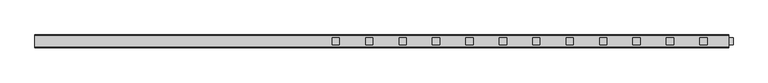
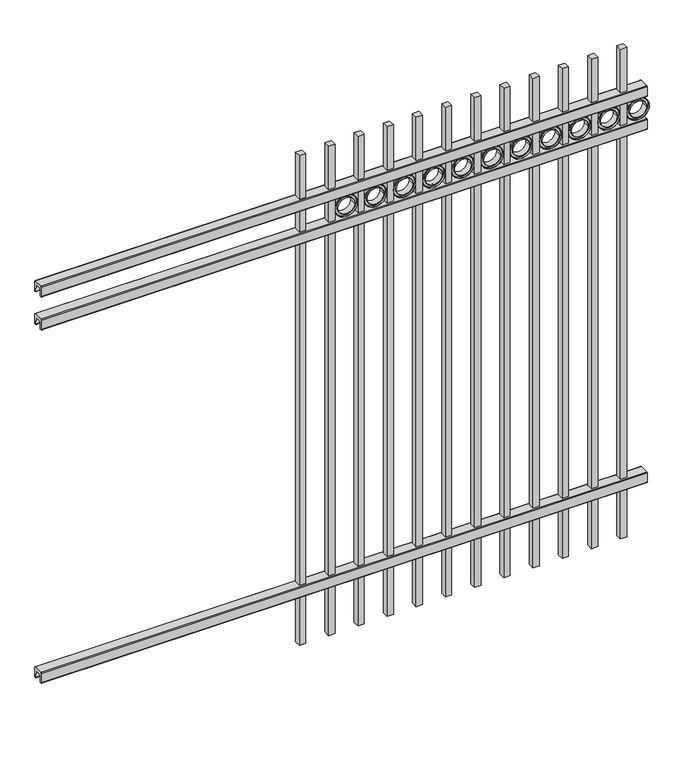
"""IFC4 building model written with IfcOpenShell, lengths in millimetres: railing geometry."""

import ifcopenshell
import ifcopenshell.guid

model = None  # the IFC model being written
_history = None  # IfcOwnerHistory: only IFC2X3 demands one
_inside = {}  # id of a spatial element -> (the spatial element, [elements in it])
_under = {}  # id of a project, library or spatial element -> (it, [spatial elements below it])
_declared = {}  # id of a project -> (the project, [libraries it declares])
_typed = {}  # id of a type object -> (the type object, [elements of that type])
_made_of = {}  # id of a material, layer set ... -> (it, [elements and type objects made of it])


def new_model(schema):
    """Start an empty IFC model of exactly this schema.

    Asked for "IFC4X3", IfcOpenShell would pick the latest addendum, in which some entities
    have other attributes; the version numbers below select the first issue.
    IFC2X3 requires an IfcOwnerHistory on every rooted entity: one is made here for all.
    """
    global model, _history
    if schema == "IFC4X3":
        model = ifcopenshell.file(schema_version=(4, 3, 0, 0))
    else:
        model = ifcopenshell.file(schema=schema)
    _inside.clear()
    _under.clear()
    _declared.clear()
    _typed.clear()
    _made_of.clear()
    _history = None
    if model.schema == "IFC2X3":
        org = make("IfcOrganization", Name="unknown")
        user = make(
            "IfcPersonAndOrganization",
            ThePerson=make("IfcPerson", FamilyName="unknown"),
            TheOrganization=org,
        )
        app = make(
            "IfcApplication",
            ApplicationDeveloper=org,
            Version="unknown",
            ApplicationFullName="unknown",
            ApplicationIdentifier="unknown",
        )
        _history = make(
            "IfcOwnerHistory",
            OwningUser=user,
            OwningApplication=app,
            ChangeAction="ADDED",
            CreationDate=0,
        )
    return model


def make(cls, **values):
    """One entity of the class cls with the attributes given. An attribute that is None is left unset."""
    return model.create_entity(
        cls, **{name: value for name, value in values.items() if value is not None}
    )


def rooted(cls, **values):
    """An entity with a GlobalId (a new one), such as an element, a storey or a relation."""
    return make(cls, GlobalId=ifcopenshell.guid.new(), OwnerHistory=_history, **values)


def si_unit(unit_type, name, prefix=None):
    """IfcSIUnit, for example si_unit("LENGTHUNIT", "METRE", prefix="MILLI")."""
    return make("IfcSIUnit", UnitType=unit_type, Prefix=prefix, Name=name)


def assignment(units):
    """IfcUnitAssignment: the units of a project."""
    return None if units is None else make("IfcUnitAssignment", Units=units)


def point(xyz):
    """IfcCartesianPoint."""
    return None if xyz is None else make("IfcCartesianPoint", Coordinates=xyz)


def direction(xyz):
    """IfcDirection."""
    return None if xyz is None else make("IfcDirection", DirectionRatios=xyz)


def frame(location, z_axis=None, x_axis=None):
    """IfcAxis2Placement3D, a coordinate frame: its origin and axes. An axis left out is left unset."""
    return make(
        "IfcAxis2Placement3D",
        Location=point(location),
        Axis=direction(z_axis),
        RefDirection=direction(x_axis),
    )


def frame_2d(location, x_axis=None):
    """IfcAxis2Placement2D, a coordinate frame in the plane: its origin and x axis."""
    return make(
        "IfcAxis2Placement2D", Location=point(location), RefDirection=direction(x_axis)
    )


def origin():
    """The frame at (0, 0, 0) with its axes left unset."""
    return frame((0.0, 0.0, 0.0))


def place(relative_to, where):
    """IfcLocalPlacement: puts the frame where relative to a parent placement (None: the world)."""
    return make(
        "IfcLocalPlacement", PlacementRelTo=relative_to, RelativePlacement=where
    )


def context(
    kind, dimensions, precision=None, world=None, true_north=None, identifier=None
):
    """IfcGeometricRepresentationContext, for example the 3D "Model" context."""
    return make(
        "IfcGeometricRepresentationContext",
        ContextIdentifier=identifier,
        ContextType=kind,
        CoordinateSpaceDimension=dimensions,
        Precision=precision,
        WorldCoordinateSystem=world,
        TrueNorth=true_north,
    )


def project(units=None, contexts=None):
    """IfcProject with its units and contexts."""
    return rooted(
        "IfcProject",
        Name="project",
        RepresentationContexts=contexts,
        UnitsInContext=assignment(units),
    )


def spatial(cls, under=None, at=None, **own):
    """A site, building, storey or space (cls), placed at a placement, below another one or the project."""
    s = rooted(cls, ObjectPlacement=at, **own)
    if under is not None:
        _under.setdefault(under.id(), (under, []))[1].append(s)
    return s


def polyline(points):
    """IfcPolyline through the points."""
    return make("IfcPolyline", Points=[point(p) for p in points])


def circle_curve(where, radius):
    """IfcCircle in the frame where."""
    return make("IfcCircle", Position=where, Radius=radius)


def trimmed(basis, trim1, trim2, sense, master):
    """IfcTrimmedCurve: the piece of a basis curve between two trims."""
    return make(
        "IfcTrimmedCurve",
        BasisCurve=basis,
        Trim1=trim1,
        Trim2=trim2,
        SenseAgreement=sense,
        MasterRepresentation=master,
    )


def segment(curve, same_sense, transition):
    """IfcCompositeCurveSegment."""
    return make(
        "IfcCompositeCurveSegment",
        Transition=transition,
        SameSense=same_sense,
        ParentCurve=curve,
    )


def composite_curve(segments, self_intersect=None):
    """IfcCompositeCurve: segments joined end to end."""
    return make("IfcCompositeCurve", Segments=segments, SelfIntersect=self_intersect)


def outline(outer, holes=None, kind="AREA"):
    """IfcArbitraryClosedProfileDef: a profile drawn as a closed curve; with holes, ...WithVoids."""
    if holes is None:
        return make("IfcArbitraryClosedProfileDef", ProfileType=kind, OuterCurve=outer)
    return make(
        "IfcArbitraryProfileDefWithVoids",
        ProfileType=kind,
        OuterCurve=outer,
        InnerCurves=holes,
    )


def extrude(swept, where, along, depth):
    """IfcExtrudedAreaSolid: the profile swept, set in the frame where, extruded along a direction by depth."""
    return make(
        "IfcExtrudedAreaSolid",
        SweptArea=swept,
        Position=where,
        ExtrudedDirection=direction(along),
        Depth=depth,
    )


def shape(context_of_items, identifier, shape_type, items):
    """IfcShapeRepresentation: the items that make up one representation, for example the "Body"."""
    return make(
        "IfcShapeRepresentation",
        ContextOfItems=context_of_items,
        RepresentationIdentifier=identifier,
        RepresentationType=shape_type,
        Items=items,
    )


def source(mapping_origin, context_of_items, identifier, shape_type, items):
    """IfcRepresentationMap: a shape defined once, which mapped items show again and again."""
    return make(
        "IfcRepresentationMap",
        MappingOrigin=mapping_origin,
        MappedRepresentation=shape(context_of_items, identifier, shape_type, items),
    )


def transform(
    local_origin,
    x_axis=None,
    y_axis=None,
    z_axis=None,
    scale=None,
    scale2=None,
    scale3=None,
    uniform=True,
):
    """IfcCartesianTransformationOperator3D, or its non-uniform kind. x_axis, y_axis, z_axis: its Axis1, 2, 3."""
    if uniform:
        return make(
            "IfcCartesianTransformationOperator3D",
            Axis1=direction(x_axis),
            Axis2=direction(y_axis),
            LocalOrigin=point(local_origin),
            Scale=scale,
            Axis3=direction(z_axis),
        )
    return make(
        "IfcCartesianTransformationOperator3DnonUniform",
        Axis1=direction(x_axis),
        Axis2=direction(y_axis),
        LocalOrigin=point(local_origin),
        Scale=scale,
        Axis3=direction(z_axis),
        Scale2=scale2,
        Scale3=scale3,
    )


def mapped(mapping_source, mapping_target):
    """IfcMappedItem: shows the shape of a source again, moved by a transform."""
    return make(
        "IfcMappedItem", MappingSource=mapping_source, MappingTarget=mapping_target
    )


def made_of(thing, what):
    """Note that an element or type object is made of a material, layer set ...; save() writes the relation."""
    if what is not None:
        _made_of.setdefault(what.id(), (what, []))[1].append(thing)
    return thing


def element(
    cls,
    number,
    at=None,
    inside=None,
    cuts=None,
    type_object=None,
    material=None,
    context=None,
    identifier="Body",
    shape_type=None,
    held_by="IfcProductDefinitionShape",
    body=None,
    shapes=None,
    **own,
):
    """One element of the class cls, such as IfcWall. Its Tag is "e" and its number.

    at: its placement. inside: the storey or other place that contains it. cuts: it is an
    opening in that element (IfcRelVoidsElement). A single representation is given by context,
    identifier, shape_type and body (its items); several are given by shapes. held_by: the class
    of the entity that holds the representations. save() writes the other relations.
    """
    e = rooted(cls, Tag="e%d" % number, ObjectPlacement=at, **own)
    if body is not None:
        shapes = [shape(context, identifier, shape_type, body)]
    if shapes is not None:
        e.Representation = make(held_by, Representations=shapes)
    if inside is not None:
        _inside.setdefault(inside.id(), (inside, []))[1].append(e)
    if cuts is not None:
        rooted(
            "IfcRelVoidsElement", RelatingBuildingElement=cuts, RelatedOpeningElement=e
        )
    if type_object is not None:
        _typed.setdefault(type_object.id(), (type_object, []))[1].append(e)
    return made_of(e, material)


def aggregate(whole, parts):
    """IfcRelAggregates: a whole, such as a stair, and the parts it consists of."""
    return rooted("IfcRelAggregates", RelatingObject=whole, RelatedObjects=parts)


def save(model, path):
    """Write the relations noted so far, then the file.

    IfcRelAggregates (storeys below a building ...), IfcRelContainedInSpatialStructure (elements
    in a storey), IfcRelDefinesByType, IfcRelAssociatesMaterial and IfcRelDeclares: one each for
    every whole, place, type object, material and project.
    """
    for whole, parts in _under.values():
        aggregate(whole, parts)
    for where, things in _inside.values():
        rooted(
            "IfcRelContainedInSpatialStructure",
            RelatedElements=things,
            RelatingStructure=where,
        )
    for kind, things in _typed.values():
        rooted("IfcRelDefinesByType", RelatedObjects=things, RelatingType=kind)
    for what, things in _made_of.values():
        rooted("IfcRelAssociatesMaterial", RelatedObjects=things, RelatingMaterial=what)
    for by, libraries in _declared.values():
        rooted("IfcRelDeclares", RelatingContext=by, RelatedDefinitions=libraries)
    model.write(path)


def railing_736b54d1(model_context):
    return source(origin(), model_context, "Body", "SweptSolid", [
        extrude(outline(composite_curve([segment(polyline([(8825.9139761, 304.8), (8863.969541, 304.8)]), True, "CONTINUOUS"), segment(trimmed(circle_curve(frame_2d((8863.969541, 301.625)), 3.175), [point((8863.969541, 304.8))], [point((8867.144541, 301.625))], False, "CARTESIAN"), True, "CONTINUOUS"), segment(polyline([(8867.144541, 301.625), (8867.144541, 262.1439893)]), True, "CONTINUOUS"), segment(trimmed(circle_curve(frame_2d((8865.3505518, 262.1439893)), 1.7939893), [point((8867.144541, 262.1439893))], [point((8865.3505518, 260.35))], False, "CARTESIAN"), True, "CONTINUOUS"), segment(polyline([(8865.3505518, 260.35), (8862.7590713, 260.35)]), True, "CONTINUOUS"), segment(trimmed(circle_curve(frame_2d((8862.7590713, 262.1359375)), 1.7859375), [point((8862.7590713, 260.35))], [point((8860.9755813, 262.0424688))], False, "CARTESIAN"), True, "CONTINUOUS"), segment(polyline([(8860.9755813, 262.0424688), (8859.4025867, 292.0569942), (8830.4364954, 292.0569942), (8828.8635007, 262.0424688)]), True, "CONTINUOUS"), segment(trimmed(circle_curve(frame_2d((8827.0800108, 262.1359375)), 1.7859375), [point((8828.8635007, 262.0424688))], [point((8827.0800108, 260.35))], False, "CARTESIAN"), True, "CONTINUOUS"), segment(polyline([(8827.0800108, 260.35), (8824.4804785, 260.35)]), True, "CONTINUOUS"), segment(trimmed(circle_curve(frame_2d((8824.4804785, 262.1359375)), 1.7859375), [point((8824.4804785, 260.35))], [point((8822.694541, 262.1359375))], False, "CARTESIAN"), True, "CONTINUOUS"), segment(polyline([(8822.694541, 262.1359375), (8822.694541, 301.5805649)]), True, "CONTINUOUS"), segment(trimmed(circle_curve(frame_2d((8825.9139761, 301.5805649)), 3.2194351), [point((8822.694541, 301.5805649))], [point((8825.9139761, 304.8))], False, "CARTESIAN"), True, "CONTINUOUS")], self_intersect=False)), frame((11485.3350064, 0.0, 0.0), z_axis=(1.0, 0.0, 0.0), x_axis=(0.0, 1.0, 0.0)), (0.0, 0.0, 1.0), 2438.4),
        extrude(outline(composite_curve([segment(polyline([(8825.9139761, 1808.1625), (8863.969541, 1808.1625)]), True, "CONTINUOUS"), segment(trimmed(circle_curve(frame_2d((8863.969541, 1804.9875)), 3.175), [point((8863.969541, 1808.1625))], [point((8867.144541, 1804.9875))], False, "CARTESIAN"), True, "CONTINUOUS"), segment(polyline([(8867.144541, 1804.9875), (8867.144541, 1765.5064893)]), True, "CONTINUOUS"), segment(trimmed(circle_curve(frame_2d((8865.3505518, 1765.5064893)), 1.7939893), [point((8867.144541, 1765.5064893))], [point((8865.3505518, 1763.7125))], False, "CARTESIAN"), True, "CONTINUOUS"), segment(polyline([(8865.3505518, 1763.7125), (8862.7590713, 1763.7125)]), True, "CONTINUOUS"), segment(trimmed(circle_curve(frame_2d((8862.7590713, 1765.4984375)), 1.7859375), [point((8862.7590713, 1763.7125))], [point((8860.9755813, 1765.4049688))], False, "CARTESIAN"), True, "CONTINUOUS"), segment(polyline([(8860.9755813, 1765.4049688), (8859.4025867, 1795.4194942), (8830.4364954, 1795.4194942), (8828.8635007, 1765.4049688)]), True, "CONTINUOUS"), segment(trimmed(circle_curve(frame_2d((8827.0800108, 1765.4984375)), 1.7859375), [point((8828.8635007, 1765.4049688))], [point((8827.0800108, 1763.7125))], False, "CARTESIAN"), True, "CONTINUOUS"), segment(polyline([(8827.0800108, 1763.7125), (8824.4804785, 1763.7125)]), True, "CONTINUOUS"), segment(trimmed(circle_curve(frame_2d((8824.4804785, 1765.4984375)), 1.7859375), [point((8824.4804785, 1763.7125))], [point((8822.694541, 1765.4984375))], False, "CARTESIAN"), True, "CONTINUOUS"), segment(polyline([(8822.694541, 1765.4984375), (8822.694541, 1804.9430649)]), True, "CONTINUOUS"), segment(trimmed(circle_curve(frame_2d((8825.9139761, 1804.9430649)), 3.2194351), [point((8822.694541, 1804.9430649))], [point((8825.9139761, 1808.1625))], False, "CARTESIAN"), True, "CONTINUOUS")], self_intersect=False)), frame((11485.3350064, 0.0, 0.0), z_axis=(1.0, 0.0, 0.0), x_axis=(0.0, 1.0, 0.0)), (0.0, 0.0, 1.0), 2438.4),
        extrude(outline(composite_curve([segment(polyline([(8825.9139761, 1947.8625), (8863.969541, 1947.8625)]), True, "CONTINUOUS"), segment(trimmed(circle_curve(frame_2d((8863.969541, 1944.6875)), 3.175), [point((8863.969541, 1947.8625))], [point((8867.144541, 1944.6875))], False, "CARTESIAN"), True, "CONTINUOUS"), segment(polyline([(8867.144541, 1944.6875), (8867.144541, 1905.2064893)]), True, "CONTINUOUS"), segment(trimmed(circle_curve(frame_2d((8865.3505518, 1905.2064893)), 1.7939893), [point((8867.144541, 1905.2064893))], [point((8865.3505518, 1903.4125))], False, "CARTESIAN"), True, "CONTINUOUS"), segment(polyline([(8865.3505518, 1903.4125), (8862.7590713, 1903.4125)]), True, "CONTINUOUS"), segment(trimmed(circle_curve(frame_2d((8862.7590713, 1905.1984375)), 1.7859375), [point((8862.7590713, 1903.4125))], [point((8860.9755813, 1905.1049688))], False, "CARTESIAN"), True, "CONTINUOUS"), segment(polyline([(8860.9755813, 1905.1049688), (8859.4025867, 1935.1194942), (8830.4364954, 1935.1194942), (8828.8635007, 1905.1049688)]), True, "CONTINUOUS"), segment(trimmed(circle_curve(frame_2d((8827.0800108, 1905.1984375)), 1.7859375), [point((8828.8635007, 1905.1049688))], [point((8827.0800108, 1903.4125))], False, "CARTESIAN"), True, "CONTINUOUS"), segment(polyline([(8827.0800108, 1903.4125), (8824.4804785, 1903.4125)]), True, "CONTINUOUS"), segment(trimmed(circle_curve(frame_2d((8824.4804785, 1905.1984375)), 1.7859375), [point((8824.4804785, 1903.4125))], [point((8822.694541, 1905.1984375))], False, "CARTESIAN"), True, "CONTINUOUS"), segment(polyline([(8822.694541, 1905.1984375), (8822.694541, 1944.6430649)]), True, "CONTINUOUS"), segment(trimmed(circle_curve(frame_2d((8825.9139761, 1944.6430649)), 3.2194351), [point((8822.694541, 1944.6430649))], [point((8825.9139761, 1947.8625))], False, "CARTESIAN"), True, "CONTINUOUS")], self_intersect=False)), frame((11485.3350064, 0.0, 0.0), z_axis=(1.0, 0.0, 0.0), x_axis=(0.0, 1.0, 0.0)), (0.0, 0.0, 1.0), 2438.4),
        extrude(outline(polyline([(13822.1350064, 8857.619541), (13847.5350064, 8857.619541), (13847.5350064, 8832.219541), (13822.1350064, 8832.219541), (13822.1350064, 8857.619541)])), frame((0.0, 0.0, 50.8), z_axis=(0.0, 0.0, 1.0), x_axis=(1.0, 0.0, 0.0)), (0.0, 0.0, 1.0), 2082.8),
        extrude(outline(composite_curve([segment(trimmed(circle_curve(frame_2d((1855.0040076, 13893.2338655)), 45.6988591), [point((1855.0040076, 13938.9327246))], [point((1855.0040076, 13847.5350064))], False, "CARTESIAN"), True, "CONTINUOUS"), segment(trimmed(circle_curve(frame_2d((1855.0040076, 13893.2338655)), 45.6988591), [point((1855.0040076, 13847.5350064))], [point((1855.0040076, 13938.9327246))], False, "CARTESIAN"), True, "CONTINUOUS")], self_intersect=False), holes=[composite_curve([segment(trimmed(circle_curve(frame_2d((1855.0040076, 13893.2338655)), 44.101539), [point((1855.0040076, 13937.3354045))], [point((1855.0040076, 13849.1323265))], True, "CARTESIAN"), True, "CONTINUOUS"), segment(trimmed(circle_curve(frame_2d((1855.0040076, 13893.2338655)), 44.101539), [point((1855.0040076, 13849.1323265))], [point((1855.0040076, 13937.3354045))], True, "CARTESIAN"), True, "CONTINUOUS")], self_intersect=False)]), frame((0.0, 8832.219541, 0.0), z_axis=(0.0, 1.0, 0.0), x_axis=(0.0, 0.0, 1.0)), (0.0, 0.0, 1.0), 25.4),
        extrude(outline(composite_curve([segment(trimmed(circle_curve(frame_2d((1855.0040076, 13893.2338655)), 34.6370762), [point((1855.0040076, 13927.8709417))], [point((1855.0040076, 13858.5967893))], False, "CARTESIAN"), True, "CONTINUOUS"), segment(trimmed(circle_curve(frame_2d((1855.0040076, 13893.2338655)), 34.6370762), [point((1855.0040076, 13858.5967893))], [point((1855.0040076, 13927.8709417))], False, "CARTESIAN"), True, "CONTINUOUS")], self_intersect=False), holes=[composite_curve([segment(trimmed(circle_curve(frame_2d((1855.0040076, 13893.2338655)), 33.0443887), [point((1855.0040076, 13926.2782542))], [point((1855.0040076, 13860.1894768))], True, "CARTESIAN"), True, "CONTINUOUS"), segment(trimmed(circle_curve(frame_2d((1855.0040076, 13893.2338655)), 33.0443887), [point((1855.0040076, 13860.1894768))], [point((1855.0040076, 13926.2782542))], True, "CARTESIAN"), True, "CONTINUOUS")], self_intersect=False)]), frame((0.0, 8832.219541, 0.0), z_axis=(0.0, 1.0, 0.0), x_axis=(0.0, 0.0, 1.0)), (0.0, 0.0, 1.0), 25.4),
        extrude(outline(composite_curve([segment(trimmed(circle_curve(frame_2d((1855.0040076, 13893.2338655)), 45.6988591), [point((1855.0040076, 13938.9327246))], [point((1855.0040076, 13847.5350064))], False, "CARTESIAN"), True, "CONTINUOUS"), segment(trimmed(circle_curve(frame_2d((1855.0040076, 13893.2338655)), 45.6988591), [point((1855.0040076, 13847.5350064))], [point((1855.0040076, 13938.9327246))], False, "CARTESIAN"), True, "CONTINUOUS")], self_intersect=False), holes=[composite_curve([segment(trimmed(circle_curve(frame_2d((1855.0040076, 13893.2338655)), 33.0443887), [point((1855.0040076, 13926.2782542))], [point((1855.0040076, 13860.1894768))], True, "CARTESIAN"), True, "CONTINUOUS"), segment(trimmed(circle_curve(frame_2d((1855.0040076, 13893.2338655)), 33.0443887), [point((1855.0040076, 13860.1894768))], [point((1855.0040076, 13926.2782542))], True, "CARTESIAN"), True, "CONTINUOUS")], self_intersect=False)]), frame((0.0, 8838.569541, 0.0), z_axis=(0.0, 1.0, 0.0), x_axis=(0.0, 0.0, 1.0)), (0.0, 0.0, 1.0), 12.7),
        extrude(outline(polyline([(13704.6600064, 8857.619541), (13730.0600064, 8857.619541), (13730.0600064, 8832.219541), (13704.6600064, 8832.219541), (13704.6600064, 8857.619541)])), frame((0.0, 0.0, 50.8), z_axis=(0.0, 0.0, 1.0), x_axis=(1.0, 0.0, 0.0)), (0.0, 0.0, 1.0), 2082.8),
        extrude(outline(composite_curve([segment(trimmed(circle_curve(frame_2d((1855.0040076, 13775.7588655)), 45.6988591), [point((1855.0040076, 13821.4577246))], [point((1855.0040076, 13730.0600064))], False, "CARTESIAN"), True, "CONTINUOUS"), segment(trimmed(circle_curve(frame_2d((1855.0040076, 13775.7588655)), 45.6988591), [point((1855.0040076, 13730.0600064))], [point((1855.0040076, 13821.4577246))], False, "CARTESIAN"), True, "CONTINUOUS")], self_intersect=False), holes=[composite_curve([segment(trimmed(circle_curve(frame_2d((1855.0040076, 13775.7588655)), 44.101539), [point((1855.0040076, 13819.8604045))], [point((1855.0040076, 13731.6573265))], True, "CARTESIAN"), True, "CONTINUOUS"), segment(trimmed(circle_curve(frame_2d((1855.0040076, 13775.7588655)), 44.101539), [point((1855.0040076, 13731.6573265))], [point((1855.0040076, 13819.8604045))], True, "CARTESIAN"), True, "CONTINUOUS")], self_intersect=False)]), frame((0.0, 8832.219541, 0.0), z_axis=(0.0, 1.0, 0.0), x_axis=(0.0, 0.0, 1.0)), (0.0, 0.0, 1.0), 25.4),
        extrude(outline(composite_curve([segment(trimmed(circle_curve(frame_2d((1855.0040076, 13775.7588655)), 34.6370762), [point((1855.0040076, 13810.3959417))], [point((1855.0040076, 13741.1217893))], False, "CARTESIAN"), True, "CONTINUOUS"), segment(trimmed(circle_curve(frame_2d((1855.0040076, 13775.7588655)), 34.6370762), [point((1855.0040076, 13741.1217893))], [point((1855.0040076, 13810.3959417))], False, "CARTESIAN"), True, "CONTINUOUS")], self_intersect=False), holes=[composite_curve([segment(trimmed(circle_curve(frame_2d((1855.0040076, 13775.7588655)), 33.0443887), [point((1855.0040076, 13808.8032542))], [point((1855.0040076, 13742.7144768))], True, "CARTESIAN"), True, "CONTINUOUS"), segment(trimmed(circle_curve(frame_2d((1855.0040076, 13775.7588655)), 33.0443887), [point((1855.0040076, 13742.7144768))], [point((1855.0040076, 13808.8032542))], True, "CARTESIAN"), True, "CONTINUOUS")], self_intersect=False)]), frame((0.0, 8832.219541, 0.0), z_axis=(0.0, 1.0, 0.0), x_axis=(0.0, 0.0, 1.0)), (0.0, 0.0, 1.0), 25.4),
        extrude(outline(composite_curve([segment(trimmed(circle_curve(frame_2d((1855.0040076, 13775.7588655)), 45.6988591), [point((1855.0040076, 13821.4577246))], [point((1855.0040076, 13730.0600064))], False, "CARTESIAN"), True, "CONTINUOUS"), segment(trimmed(circle_curve(frame_2d((1855.0040076, 13775.7588655)), 45.6988591), [point((1855.0040076, 13730.0600064))], [point((1855.0040076, 13821.4577246))], False, "CARTESIAN"), True, "CONTINUOUS")], self_intersect=False), holes=[composite_curve([segment(trimmed(circle_curve(frame_2d((1855.0040076, 13775.7588655)), 33.0443887), [point((1855.0040076, 13808.8032542))], [point((1855.0040076, 13742.7144768))], True, "CARTESIAN"), True, "CONTINUOUS"), segment(trimmed(circle_curve(frame_2d((1855.0040076, 13775.7588655)), 33.0443887), [point((1855.0040076, 13742.7144768))], [point((1855.0040076, 13808.8032542))], True, "CARTESIAN"), True, "CONTINUOUS")], self_intersect=False)]), frame((0.0, 8838.569541, 0.0), z_axis=(0.0, 1.0, 0.0), x_axis=(0.0, 0.0, 1.0)), (0.0, 0.0, 1.0), 12.7),
        extrude(outline(polyline([(13587.1850064, 8857.619541), (13612.5850064, 8857.619541), (13612.5850064, 8832.219541), (13587.1850064, 8832.219541), (13587.1850064, 8857.619541)])), frame((0.0, 0.0, 50.8), z_axis=(0.0, 0.0, 1.0), x_axis=(1.0, 0.0, 0.0)), (0.0, 0.0, 1.0), 2082.8),
        extrude(outline(composite_curve([segment(trimmed(circle_curve(frame_2d((1855.0040076, 13658.2838655)), 45.6988591), [point((1855.0040076, 13703.9827246))], [point((1855.0040076, 13612.5850064))], False, "CARTESIAN"), True, "CONTINUOUS"), segment(trimmed(circle_curve(frame_2d((1855.0040076, 13658.2838655)), 45.6988591), [point((1855.0040076, 13612.5850064))], [point((1855.0040076, 13703.9827246))], False, "CARTESIAN"), True, "CONTINUOUS")], self_intersect=False), holes=[composite_curve([segment(trimmed(circle_curve(frame_2d((1855.0040076, 13658.2838655)), 44.101539), [point((1855.0040076, 13702.3854045))], [point((1855.0040076, 13614.1823265))], True, "CARTESIAN"), True, "CONTINUOUS"), segment(trimmed(circle_curve(frame_2d((1855.0040076, 13658.2838655)), 44.101539), [point((1855.0040076, 13614.1823265))], [point((1855.0040076, 13702.3854045))], True, "CARTESIAN"), True, "CONTINUOUS")], self_intersect=False)]), frame((0.0, 8832.219541, 0.0), z_axis=(0.0, 1.0, 0.0), x_axis=(0.0, 0.0, 1.0)), (0.0, 0.0, 1.0), 25.4),
        extrude(outline(composite_curve([segment(trimmed(circle_curve(frame_2d((1855.0040076, 13658.2838655)), 34.6370762), [point((1855.0040076, 13692.9209417))], [point((1855.0040076, 13623.6467893))], False, "CARTESIAN"), True, "CONTINUOUS"), segment(trimmed(circle_curve(frame_2d((1855.0040076, 13658.2838655)), 34.6370762), [point((1855.0040076, 13623.6467893))], [point((1855.0040076, 13692.9209417))], False, "CARTESIAN"), True, "CONTINUOUS")], self_intersect=False), holes=[composite_curve([segment(trimmed(circle_curve(frame_2d((1855.0040076, 13658.2838655)), 33.0443887), [point((1855.0040076, 13691.3282542))], [point((1855.0040076, 13625.2394768))], True, "CARTESIAN"), True, "CONTINUOUS"), segment(trimmed(circle_curve(frame_2d((1855.0040076, 13658.2838655)), 33.0443887), [point((1855.0040076, 13625.2394768))], [point((1855.0040076, 13691.3282542))], True, "CARTESIAN"), True, "CONTINUOUS")], self_intersect=False)]), frame((0.0, 8832.219541, 0.0), z_axis=(0.0, 1.0, 0.0), x_axis=(0.0, 0.0, 1.0)), (0.0, 0.0, 1.0), 25.4),
        extrude(outline(composite_curve([segment(trimmed(circle_curve(frame_2d((1855.0040076, 13658.2838655)), 45.6988591), [point((1855.0040076, 13703.9827246))], [point((1855.0040076, 13612.5850064))], False, "CARTESIAN"), True, "CONTINUOUS"), segment(trimmed(circle_curve(frame_2d((1855.0040076, 13658.2838655)), 45.6988591), [point((1855.0040076, 13612.5850064))], [point((1855.0040076, 13703.9827246))], False, "CARTESIAN"), True, "CONTINUOUS")], self_intersect=False), holes=[composite_curve([segment(trimmed(circle_curve(frame_2d((1855.0040076, 13658.2838655)), 33.0443887), [point((1855.0040076, 13691.3282542))], [point((1855.0040076, 13625.2394768))], True, "CARTESIAN"), True, "CONTINUOUS"), segment(trimmed(circle_curve(frame_2d((1855.0040076, 13658.2838655)), 33.0443887), [point((1855.0040076, 13625.2394768))], [point((1855.0040076, 13691.3282542))], True, "CARTESIAN"), True, "CONTINUOUS")], self_intersect=False)]), frame((0.0, 8838.569541, 0.0), z_axis=(0.0, 1.0, 0.0), x_axis=(0.0, 0.0, 1.0)), (0.0, 0.0, 1.0), 12.7),
        extrude(outline(polyline([(13469.7100064, 8857.619541), (13495.1100064, 8857.619541), (13495.1100064, 8832.219541), (13469.7100064, 8832.219541), (13469.7100064, 8857.619541)])), frame((0.0, 0.0, 50.8), z_axis=(0.0, 0.0, 1.0), x_axis=(1.0, 0.0, 0.0)), (0.0, 0.0, 1.0), 2082.8),
        extrude(outline(composite_curve([segment(trimmed(circle_curve(frame_2d((1855.0040076, 13540.8088655)), 45.6988591), [point((1855.0040076, 13586.5077246))], [point((1855.0040076, 13495.1100064))], False, "CARTESIAN"), True, "CONTINUOUS"), segment(trimmed(circle_curve(frame_2d((1855.0040076, 13540.8088655)), 45.6988591), [point((1855.0040076, 13495.1100064))], [point((1855.0040076, 13586.5077246))], False, "CARTESIAN"), True, "CONTINUOUS")], self_intersect=False), holes=[composite_curve([segment(trimmed(circle_curve(frame_2d((1855.0040076, 13540.8088655)), 44.101539), [point((1855.0040076, 13584.9104045))], [point((1855.0040076, 13496.7073265))], True, "CARTESIAN"), True, "CONTINUOUS"), segment(trimmed(circle_curve(frame_2d((1855.0040076, 13540.8088655)), 44.101539), [point((1855.0040076, 13496.7073265))], [point((1855.0040076, 13584.9104045))], True, "CARTESIAN"), True, "CONTINUOUS")], self_intersect=False)]), frame((0.0, 8832.219541, 0.0), z_axis=(0.0, 1.0, 0.0), x_axis=(0.0, 0.0, 1.0)), (0.0, 0.0, 1.0), 25.4),
        extrude(outline(composite_curve([segment(trimmed(circle_curve(frame_2d((1855.0040076, 13540.8088655)), 34.6370762), [point((1855.0040076, 13575.4459417))], [point((1855.0040076, 13506.1717893))], False, "CARTESIAN"), True, "CONTINUOUS"), segment(trimmed(circle_curve(frame_2d((1855.0040076, 13540.8088655)), 34.6370762), [point((1855.0040076, 13506.1717893))], [point((1855.0040076, 13575.4459417))], False, "CARTESIAN"), True, "CONTINUOUS")], self_intersect=False), holes=[composite_curve([segment(trimmed(circle_curve(frame_2d((1855.0040076, 13540.8088655)), 33.0443887), [point((1855.0040076, 13573.8532542))], [point((1855.0040076, 13507.7644768))], True, "CARTESIAN"), True, "CONTINUOUS"), segment(trimmed(circle_curve(frame_2d((1855.0040076, 13540.8088655)), 33.0443887), [point((1855.0040076, 13507.7644768))], [point((1855.0040076, 13573.8532542))], True, "CARTESIAN"), True, "CONTINUOUS")], self_intersect=False)]), frame((0.0, 8832.219541, 0.0), z_axis=(0.0, 1.0, 0.0), x_axis=(0.0, 0.0, 1.0)), (0.0, 0.0, 1.0), 25.4),
        extrude(outline(composite_curve([segment(trimmed(circle_curve(frame_2d((1855.0040076, 13540.8088655)), 45.6988591), [point((1855.0040076, 13586.5077246))], [point((1855.0040076, 13495.1100064))], False, "CARTESIAN"), True, "CONTINUOUS"), segment(trimmed(circle_curve(frame_2d((1855.0040076, 13540.8088655)), 45.6988591), [point((1855.0040076, 13495.1100064))], [point((1855.0040076, 13586.5077246))], False, "CARTESIAN"), True, "CONTINUOUS")], self_intersect=False), holes=[composite_curve([segment(trimmed(circle_curve(frame_2d((1855.0040076, 13540.8088655)), 33.0443887), [point((1855.0040076, 13573.8532542))], [point((1855.0040076, 13507.7644768))], True, "CARTESIAN"), True, "CONTINUOUS"), segment(trimmed(circle_curve(frame_2d((1855.0040076, 13540.8088655)), 33.0443887), [point((1855.0040076, 13507.7644768))], [point((1855.0040076, 13573.8532542))], True, "CARTESIAN"), True, "CONTINUOUS")], self_intersect=False)]), frame((0.0, 8838.569541, 0.0), z_axis=(0.0, 1.0, 0.0), x_axis=(0.0, 0.0, 1.0)), (0.0, 0.0, 1.0), 12.7),
        extrude(outline(polyline([(13352.2350064, 8857.619541), (13377.6350064, 8857.619541), (13377.6350064, 8832.219541), (13352.2350064, 8832.219541), (13352.2350064, 8857.619541)])), frame((0.0, 0.0, 50.8), z_axis=(0.0, 0.0, 1.0), x_axis=(1.0, 0.0, 0.0)), (0.0, 0.0, 1.0), 2082.8),
        extrude(outline(composite_curve([segment(trimmed(circle_curve(frame_2d((1855.0040076, 13423.3338655)), 45.6988591), [point((1855.0040076, 13469.0327246))], [point((1855.0040076, 13377.6350064))], False, "CARTESIAN"), True, "CONTINUOUS"), segment(trimmed(circle_curve(frame_2d((1855.0040076, 13423.3338655)), 45.6988591), [point((1855.0040076, 13377.6350064))], [point((1855.0040076, 13469.0327246))], False, "CARTESIAN"), True, "CONTINUOUS")], self_intersect=False), holes=[composite_curve([segment(trimmed(circle_curve(frame_2d((1855.0040076, 13423.3338655)), 44.101539), [point((1855.0040076, 13467.4354045))], [point((1855.0040076, 13379.2323265))], True, "CARTESIAN"), True, "CONTINUOUS"), segment(trimmed(circle_curve(frame_2d((1855.0040076, 13423.3338655)), 44.101539), [point((1855.0040076, 13379.2323265))], [point((1855.0040076, 13467.4354045))], True, "CARTESIAN"), True, "CONTINUOUS")], self_intersect=False)]), frame((0.0, 8832.219541, 0.0), z_axis=(0.0, 1.0, 0.0), x_axis=(0.0, 0.0, 1.0)), (0.0, 0.0, 1.0), 25.4),
        extrude(outline(composite_curve([segment(trimmed(circle_curve(frame_2d((1855.0040076, 13423.3338655)), 34.6370762), [point((1855.0040076, 13457.9709417))], [point((1855.0040076, 13388.6967893))], False, "CARTESIAN"), True, "CONTINUOUS"), segment(trimmed(circle_curve(frame_2d((1855.0040076, 13423.3338655)), 34.6370762), [point((1855.0040076, 13388.6967893))], [point((1855.0040076, 13457.9709417))], False, "CARTESIAN"), True, "CONTINUOUS")], self_intersect=False), holes=[composite_curve([segment(trimmed(circle_curve(frame_2d((1855.0040076, 13423.3338655)), 33.0443887), [point((1855.0040076, 13456.3782542))], [point((1855.0040076, 13390.2894768))], True, "CARTESIAN"), True, "CONTINUOUS"), segment(trimmed(circle_curve(frame_2d((1855.0040076, 13423.3338655)), 33.0443887), [point((1855.0040076, 13390.2894768))], [point((1855.0040076, 13456.3782542))], True, "CARTESIAN"), True, "CONTINUOUS")], self_intersect=False)]), frame((0.0, 8832.219541, 0.0), z_axis=(0.0, 1.0, 0.0), x_axis=(0.0, 0.0, 1.0)), (0.0, 0.0, 1.0), 25.4),
        extrude(outline(composite_curve([segment(trimmed(circle_curve(frame_2d((1855.0040076, 13423.3338655)), 45.6988591), [point((1855.0040076, 13469.0327246))], [point((1855.0040076, 13377.6350064))], False, "CARTESIAN"), True, "CONTINUOUS"), segment(trimmed(circle_curve(frame_2d((1855.0040076, 13423.3338655)), 45.6988591), [point((1855.0040076, 13377.6350064))], [point((1855.0040076, 13469.0327246))], False, "CARTESIAN"), True, "CONTINUOUS")], self_intersect=False), holes=[composite_curve([segment(trimmed(circle_curve(frame_2d((1855.0040076, 13423.3338655)), 33.0443887), [point((1855.0040076, 13456.3782542))], [point((1855.0040076, 13390.2894768))], True, "CARTESIAN"), True, "CONTINUOUS"), segment(trimmed(circle_curve(frame_2d((1855.0040076, 13423.3338655)), 33.0443887), [point((1855.0040076, 13390.2894768))], [point((1855.0040076, 13456.3782542))], True, "CARTESIAN"), True, "CONTINUOUS")], self_intersect=False)]), frame((0.0, 8838.569541, 0.0), z_axis=(0.0, 1.0, 0.0), x_axis=(0.0, 0.0, 1.0)), (0.0, 0.0, 1.0), 12.7),
        extrude(outline(polyline([(13234.7600064, 8857.619541), (13260.1600064, 8857.619541), (13260.1600064, 8832.219541), (13234.7600064, 8832.219541), (13234.7600064, 8857.619541)])), frame((0.0, 0.0, 50.8), z_axis=(0.0, 0.0, 1.0), x_axis=(1.0, 0.0, 0.0)), (0.0, 0.0, 1.0), 2082.8),
        extrude(outline(composite_curve([segment(trimmed(circle_curve(frame_2d((1855.0040076, 13305.8588655)), 45.6988591), [point((1855.0040076, 13351.5577246))], [point((1855.0040076, 13260.1600064))], False, "CARTESIAN"), True, "CONTINUOUS"), segment(trimmed(circle_curve(frame_2d((1855.0040076, 13305.8588655)), 45.6988591), [point((1855.0040076, 13260.1600064))], [point((1855.0040076, 13351.5577246))], False, "CARTESIAN"), True, "CONTINUOUS")], self_intersect=False), holes=[composite_curve([segment(trimmed(circle_curve(frame_2d((1855.0040076, 13305.8588655)), 44.101539), [point((1855.0040076, 13349.9604045))], [point((1855.0040076, 13261.7573265))], True, "CARTESIAN"), True, "CONTINUOUS"), segment(trimmed(circle_curve(frame_2d((1855.0040076, 13305.8588655)), 44.101539), [point((1855.0040076, 13261.7573265))], [point((1855.0040076, 13349.9604045))], True, "CARTESIAN"), True, "CONTINUOUS")], self_intersect=False)]), frame((0.0, 8832.219541, 0.0), z_axis=(0.0, 1.0, 0.0), x_axis=(0.0, 0.0, 1.0)), (0.0, 0.0, 1.0), 25.4),
        extrude(outline(composite_curve([segment(trimmed(circle_curve(frame_2d((1855.0040076, 13305.8588655)), 34.6370762), [point((1855.0040076, 13340.4959417))], [point((1855.0040076, 13271.2217893))], False, "CARTESIAN"), True, "CONTINUOUS"), segment(trimmed(circle_curve(frame_2d((1855.0040076, 13305.8588655)), 34.6370762), [point((1855.0040076, 13271.2217893))], [point((1855.0040076, 13340.4959417))], False, "CARTESIAN"), True, "CONTINUOUS")], self_intersect=False), holes=[composite_curve([segment(trimmed(circle_curve(frame_2d((1855.0040076, 13305.8588655)), 33.0443887), [point((1855.0040076, 13338.9032542))], [point((1855.0040076, 13272.8144768))], True, "CARTESIAN"), True, "CONTINUOUS"), segment(trimmed(circle_curve(frame_2d((1855.0040076, 13305.8588655)), 33.0443887), [point((1855.0040076, 13272.8144768))], [point((1855.0040076, 13338.9032542))], True, "CARTESIAN"), True, "CONTINUOUS")], self_intersect=False)]), frame((0.0, 8832.219541, 0.0), z_axis=(0.0, 1.0, 0.0), x_axis=(0.0, 0.0, 1.0)), (0.0, 0.0, 1.0), 25.4),
        extrude(outline(composite_curve([segment(trimmed(circle_curve(frame_2d((1855.0040076, 13305.8588655)), 45.6988591), [point((1855.0040076, 13351.5577246))], [point((1855.0040076, 13260.1600064))], False, "CARTESIAN"), True, "CONTINUOUS"), segment(trimmed(circle_curve(frame_2d((1855.0040076, 13305.8588655)), 45.6988591), [point((1855.0040076, 13260.1600064))], [point((1855.0040076, 13351.5577246))], False, "CARTESIAN"), True, "CONTINUOUS")], self_intersect=False), holes=[composite_curve([segment(trimmed(circle_curve(frame_2d((1855.0040076, 13305.8588655)), 33.0443887), [point((1855.0040076, 13338.9032542))], [point((1855.0040076, 13272.8144768))], True, "CARTESIAN"), True, "CONTINUOUS"), segment(trimmed(circle_curve(frame_2d((1855.0040076, 13305.8588655)), 33.0443887), [point((1855.0040076, 13272.8144768))], [point((1855.0040076, 13338.9032542))], True, "CARTESIAN"), True, "CONTINUOUS")], self_intersect=False)]), frame((0.0, 8838.569541, 0.0), z_axis=(0.0, 1.0, 0.0), x_axis=(0.0, 0.0, 1.0)), (0.0, 0.0, 1.0), 12.7),
        extrude(outline(polyline([(13117.2850064, 8857.619541), (13142.6850064, 8857.619541), (13142.6850064, 8832.219541), (13117.2850064, 8832.219541), (13117.2850064, 8857.619541)])), frame((0.0, 0.0, 50.8), z_axis=(0.0, 0.0, 1.0), x_axis=(1.0, 0.0, 0.0)), (0.0, 0.0, 1.0), 2082.8),
        extrude(outline(composite_curve([segment(trimmed(circle_curve(frame_2d((1855.0040076, 13188.3838655)), 45.6988591), [point((1855.0040076, 13234.0827246))], [point((1855.0040076, 13142.6850064))], False, "CARTESIAN"), True, "CONTINUOUS"), segment(trimmed(circle_curve(frame_2d((1855.0040076, 13188.3838655)), 45.6988591), [point((1855.0040076, 13142.6850064))], [point((1855.0040076, 13234.0827246))], False, "CARTESIAN"), True, "CONTINUOUS")], self_intersect=False), holes=[composite_curve([segment(trimmed(circle_curve(frame_2d((1855.0040076, 13188.3838655)), 44.101539), [point((1855.0040076, 13232.4854045))], [point((1855.0040076, 13144.2823265))], True, "CARTESIAN"), True, "CONTINUOUS"), segment(trimmed(circle_curve(frame_2d((1855.0040076, 13188.3838655)), 44.101539), [point((1855.0040076, 13144.2823265))], [point((1855.0040076, 13232.4854045))], True, "CARTESIAN"), True, "CONTINUOUS")], self_intersect=False)]), frame((0.0, 8832.219541, 0.0), z_axis=(0.0, 1.0, 0.0), x_axis=(0.0, 0.0, 1.0)), (0.0, 0.0, 1.0), 25.4),
        extrude(outline(composite_curve([segment(trimmed(circle_curve(frame_2d((1855.0040076, 13188.3838655)), 34.6370762), [point((1855.0040076, 13223.0209417))], [point((1855.0040076, 13153.7467893))], False, "CARTESIAN"), True, "CONTINUOUS"), segment(trimmed(circle_curve(frame_2d((1855.0040076, 13188.3838655)), 34.6370762), [point((1855.0040076, 13153.7467893))], [point((1855.0040076, 13223.0209417))], False, "CARTESIAN"), True, "CONTINUOUS")], self_intersect=False), holes=[composite_curve([segment(trimmed(circle_curve(frame_2d((1855.0040076, 13188.3838655)), 33.0443887), [point((1855.0040076, 13221.4282542))], [point((1855.0040076, 13155.3394768))], True, "CARTESIAN"), True, "CONTINUOUS"), segment(trimmed(circle_curve(frame_2d((1855.0040076, 13188.3838655)), 33.0443887), [point((1855.0040076, 13155.3394768))], [point((1855.0040076, 13221.4282542))], True, "CARTESIAN"), True, "CONTINUOUS")], self_intersect=False)]), frame((0.0, 8832.219541, 0.0), z_axis=(0.0, 1.0, 0.0), x_axis=(0.0, 0.0, 1.0)), (0.0, 0.0, 1.0), 25.4),
        extrude(outline(composite_curve([segment(trimmed(circle_curve(frame_2d((1855.0040076, 13188.3838655)), 45.6988591), [point((1855.0040076, 13234.0827246))], [point((1855.0040076, 13142.6850064))], False, "CARTESIAN"), True, "CONTINUOUS"), segment(trimmed(circle_curve(frame_2d((1855.0040076, 13188.3838655)), 45.6988591), [point((1855.0040076, 13142.6850064))], [point((1855.0040076, 13234.0827246))], False, "CARTESIAN"), True, "CONTINUOUS")], self_intersect=False), holes=[composite_curve([segment(trimmed(circle_curve(frame_2d((1855.0040076, 13188.3838655)), 33.0443887), [point((1855.0040076, 13221.4282542))], [point((1855.0040076, 13155.3394768))], True, "CARTESIAN"), True, "CONTINUOUS"), segment(trimmed(circle_curve(frame_2d((1855.0040076, 13188.3838655)), 33.0443887), [point((1855.0040076, 13155.3394768))], [point((1855.0040076, 13221.4282542))], True, "CARTESIAN"), True, "CONTINUOUS")], self_intersect=False)]), frame((0.0, 8838.569541, 0.0), z_axis=(0.0, 1.0, 0.0), x_axis=(0.0, 0.0, 1.0)), (0.0, 0.0, 1.0), 12.7),
        extrude(outline(polyline([(12999.8100064, 8857.619541), (13025.2100064, 8857.619541), (13025.2100064, 8832.219541), (12999.8100064, 8832.219541), (12999.8100064, 8857.619541)])), frame((0.0, 0.0, 50.8), z_axis=(0.0, 0.0, 1.0), x_axis=(1.0, 0.0, 0.0)), (0.0, 0.0, 1.0), 2082.8),
        extrude(outline(composite_curve([segment(trimmed(circle_curve(frame_2d((1855.0040076, 13070.9088655)), 45.6988591), [point((1855.0040076, 13116.6077246))], [point((1855.0040076, 13025.2100064))], False, "CARTESIAN"), True, "CONTINUOUS"), segment(trimmed(circle_curve(frame_2d((1855.0040076, 13070.9088655)), 45.6988591), [point((1855.0040076, 13025.2100064))], [point((1855.0040076, 13116.6077246))], False, "CARTESIAN"), True, "CONTINUOUS")], self_intersect=False), holes=[composite_curve([segment(trimmed(circle_curve(frame_2d((1855.0040076, 13070.9088655)), 44.101539), [point((1855.0040076, 13115.0104045))], [point((1855.0040076, 13026.8073265))], True, "CARTESIAN"), True, "CONTINUOUS"), segment(trimmed(circle_curve(frame_2d((1855.0040076, 13070.9088655)), 44.101539), [point((1855.0040076, 13026.8073265))], [point((1855.0040076, 13115.0104045))], True, "CARTESIAN"), True, "CONTINUOUS")], self_intersect=False)]), frame((0.0, 8832.219541, 0.0), z_axis=(0.0, 1.0, 0.0), x_axis=(0.0, 0.0, 1.0)), (0.0, 0.0, 1.0), 25.4),
        extrude(outline(composite_curve([segment(trimmed(circle_curve(frame_2d((1855.0040076, 13070.9088655)), 34.6370762), [point((1855.0040076, 13105.5459417))], [point((1855.0040076, 13036.2717893))], False, "CARTESIAN"), True, "CONTINUOUS"), segment(trimmed(circle_curve(frame_2d((1855.0040076, 13070.9088655)), 34.6370762), [point((1855.0040076, 13036.2717893))], [point((1855.0040076, 13105.5459417))], False, "CARTESIAN"), True, "CONTINUOUS")], self_intersect=False), holes=[composite_curve([segment(trimmed(circle_curve(frame_2d((1855.0040076, 13070.9088655)), 33.0443887), [point((1855.0040076, 13103.9532542))], [point((1855.0040076, 13037.8644768))], True, "CARTESIAN"), True, "CONTINUOUS"), segment(trimmed(circle_curve(frame_2d((1855.0040076, 13070.9088655)), 33.0443887), [point((1855.0040076, 13037.8644768))], [point((1855.0040076, 13103.9532542))], True, "CARTESIAN"), True, "CONTINUOUS")], self_intersect=False)]), frame((0.0, 8832.219541, 0.0), z_axis=(0.0, 1.0, 0.0), x_axis=(0.0, 0.0, 1.0)), (0.0, 0.0, 1.0), 25.4),
        extrude(outline(composite_curve([segment(trimmed(circle_curve(frame_2d((1855.0040076, 13070.9088655)), 45.6988591), [point((1855.0040076, 13116.6077246))], [point((1855.0040076, 13025.2100064))], False, "CARTESIAN"), True, "CONTINUOUS"), segment(trimmed(circle_curve(frame_2d((1855.0040076, 13070.9088655)), 45.6988591), [point((1855.0040076, 13025.2100064))], [point((1855.0040076, 13116.6077246))], False, "CARTESIAN"), True, "CONTINUOUS")], self_intersect=False), holes=[composite_curve([segment(trimmed(circle_curve(frame_2d((1855.0040076, 13070.9088655)), 33.0443887), [point((1855.0040076, 13103.9532542))], [point((1855.0040076, 13037.8644768))], True, "CARTESIAN"), True, "CONTINUOUS"), segment(trimmed(circle_curve(frame_2d((1855.0040076, 13070.9088655)), 33.0443887), [point((1855.0040076, 13037.8644768))], [point((1855.0040076, 13103.9532542))], True, "CARTESIAN"), True, "CONTINUOUS")], self_intersect=False)]), frame((0.0, 8838.569541, 0.0), z_axis=(0.0, 1.0, 0.0), x_axis=(0.0, 0.0, 1.0)), (0.0, 0.0, 1.0), 12.7),
        extrude(outline(polyline([(12882.3350064, 8857.619541), (12907.7350064, 8857.619541), (12907.7350064, 8832.219541), (12882.3350064, 8832.219541), (12882.3350064, 8857.619541)])), frame((0.0, 0.0, 50.8), z_axis=(0.0, 0.0, 1.0), x_axis=(1.0, 0.0, 0.0)), (0.0, 0.0, 1.0), 2082.8),
        extrude(outline(composite_curve([segment(trimmed(circle_curve(frame_2d((1855.0040076, 12953.4338655)), 45.6988591), [point((1855.0040076, 12999.1327246))], [point((1855.0040076, 12907.7350064))], False, "CARTESIAN"), True, "CONTINUOUS"), segment(trimmed(circle_curve(frame_2d((1855.0040076, 12953.4338655)), 45.6988591), [point((1855.0040076, 12907.7350064))], [point((1855.0040076, 12999.1327246))], False, "CARTESIAN"), True, "CONTINUOUS")], self_intersect=False), holes=[composite_curve([segment(trimmed(circle_curve(frame_2d((1855.0040076, 12953.4338655)), 44.101539), [point((1855.0040076, 12997.5354045))], [point((1855.0040076, 12909.3323265))], True, "CARTESIAN"), True, "CONTINUOUS"), segment(trimmed(circle_curve(frame_2d((1855.0040076, 12953.4338655)), 44.101539), [point((1855.0040076, 12909.3323265))], [point((1855.0040076, 12997.5354045))], True, "CARTESIAN"), True, "CONTINUOUS")], self_intersect=False)]), frame((0.0, 8832.219541, 0.0), z_axis=(0.0, 1.0, 0.0), x_axis=(0.0, 0.0, 1.0)), (0.0, 0.0, 1.0), 25.4),
        extrude(outline(composite_curve([segment(trimmed(circle_curve(frame_2d((1855.0040076, 12953.4338655)), 34.6370762), [point((1855.0040076, 12988.0709417))], [point((1855.0040076, 12918.7967893))], False, "CARTESIAN"), True, "CONTINUOUS"), segment(trimmed(circle_curve(frame_2d((1855.0040076, 12953.4338655)), 34.6370762), [point((1855.0040076, 12918.7967893))], [point((1855.0040076, 12988.0709417))], False, "CARTESIAN"), True, "CONTINUOUS")], self_intersect=False), holes=[composite_curve([segment(trimmed(circle_curve(frame_2d((1855.0040076, 12953.4338655)), 33.0443887), [point((1855.0040076, 12986.4782542))], [point((1855.0040076, 12920.3894768))], True, "CARTESIAN"), True, "CONTINUOUS"), segment(trimmed(circle_curve(frame_2d((1855.0040076, 12953.4338655)), 33.0443887), [point((1855.0040076, 12920.3894768))], [point((1855.0040076, 12986.4782542))], True, "CARTESIAN"), True, "CONTINUOUS")], self_intersect=False)]), frame((0.0, 8832.219541, 0.0), z_axis=(0.0, 1.0, 0.0), x_axis=(0.0, 0.0, 1.0)), (0.0, 0.0, 1.0), 25.4),
        extrude(outline(composite_curve([segment(trimmed(circle_curve(frame_2d((1855.0040076, 12953.4338655)), 45.6988591), [point((1855.0040076, 12999.1327246))], [point((1855.0040076, 12907.7350064))], False, "CARTESIAN"), True, "CONTINUOUS"), segment(trimmed(circle_curve(frame_2d((1855.0040076, 12953.4338655)), 45.6988591), [point((1855.0040076, 12907.7350064))], [point((1855.0040076, 12999.1327246))], False, "CARTESIAN"), True, "CONTINUOUS")], self_intersect=False), holes=[composite_curve([segment(trimmed(circle_curve(frame_2d((1855.0040076, 12953.4338655)), 33.0443887), [point((1855.0040076, 12986.4782542))], [point((1855.0040076, 12920.3894768))], True, "CARTESIAN"), True, "CONTINUOUS"), segment(trimmed(circle_curve(frame_2d((1855.0040076, 12953.4338655)), 33.0443887), [point((1855.0040076, 12920.3894768))], [point((1855.0040076, 12986.4782542))], True, "CARTESIAN"), True, "CONTINUOUS")], self_intersect=False)]), frame((0.0, 8838.569541, 0.0), z_axis=(0.0, 1.0, 0.0), x_axis=(0.0, 0.0, 1.0)), (0.0, 0.0, 1.0), 12.7),
        extrude(outline(polyline([(12764.8600064, 8857.619541), (12790.2600064, 8857.619541), (12790.2600064, 8832.219541), (12764.8600064, 8832.219541), (12764.8600064, 8857.619541)])), frame((0.0, 0.0, 50.8), z_axis=(0.0, 0.0, 1.0), x_axis=(1.0, 0.0, 0.0)), (0.0, 0.0, 1.0), 2082.8),
        extrude(outline(composite_curve([segment(trimmed(circle_curve(frame_2d((1855.0040076, 12835.9588655)), 45.6988591), [point((1855.0040076, 12881.6577246))], [point((1855.0040076, 12790.2600064))], False, "CARTESIAN"), True, "CONTINUOUS"), segment(trimmed(circle_curve(frame_2d((1855.0040076, 12835.9588655)), 45.6988591), [point((1855.0040076, 12790.2600064))], [point((1855.0040076, 12881.6577246))], False, "CARTESIAN"), True, "CONTINUOUS")], self_intersect=False), holes=[composite_curve([segment(trimmed(circle_curve(frame_2d((1855.0040076, 12835.9588655)), 44.101539), [point((1855.0040076, 12880.0604045))], [point((1855.0040076, 12791.8573265))], True, "CARTESIAN"), True, "CONTINUOUS"), segment(trimmed(circle_curve(frame_2d((1855.0040076, 12835.9588655)), 44.101539), [point((1855.0040076, 12791.8573265))], [point((1855.0040076, 12880.0604045))], True, "CARTESIAN"), True, "CONTINUOUS")], self_intersect=False)]), frame((0.0, 8832.219541, 0.0), z_axis=(0.0, 1.0, 0.0), x_axis=(0.0, 0.0, 1.0)), (0.0, 0.0, 1.0), 25.4),
        extrude(outline(composite_curve([segment(trimmed(circle_curve(frame_2d((1855.0040076, 12835.9588655)), 34.6370762), [point((1855.0040076, 12870.5959417))], [point((1855.0040076, 12801.3217893))], False, "CARTESIAN"), True, "CONTINUOUS"), segment(trimmed(circle_curve(frame_2d((1855.0040076, 12835.9588655)), 34.6370762), [point((1855.0040076, 12801.3217893))], [point((1855.0040076, 12870.5959417))], False, "CARTESIAN"), True, "CONTINUOUS")], self_intersect=False), holes=[composite_curve([segment(trimmed(circle_curve(frame_2d((1855.0040076, 12835.9588655)), 33.0443887), [point((1855.0040076, 12869.0032542))], [point((1855.0040076, 12802.9144768))], True, "CARTESIAN"), True, "CONTINUOUS"), segment(trimmed(circle_curve(frame_2d((1855.0040076, 12835.9588655)), 33.0443887), [point((1855.0040076, 12802.9144768))], [point((1855.0040076, 12869.0032542))], True, "CARTESIAN"), True, "CONTINUOUS")], self_intersect=False)]), frame((0.0, 8832.219541, 0.0), z_axis=(0.0, 1.0, 0.0), x_axis=(0.0, 0.0, 1.0)), (0.0, 0.0, 1.0), 25.4),
        extrude(outline(composite_curve([segment(trimmed(circle_curve(frame_2d((1855.0040076, 12835.9588655)), 45.6988591), [point((1855.0040076, 12881.6577246))], [point((1855.0040076, 12790.2600064))], False, "CARTESIAN"), True, "CONTINUOUS"), segment(trimmed(circle_curve(frame_2d((1855.0040076, 12835.9588655)), 45.6988591), [point((1855.0040076, 12790.2600064))], [point((1855.0040076, 12881.6577246))], False, "CARTESIAN"), True, "CONTINUOUS")], self_intersect=False), holes=[composite_curve([segment(trimmed(circle_curve(frame_2d((1855.0040076, 12835.9588655)), 33.0443887), [point((1855.0040076, 12869.0032542))], [point((1855.0040076, 12802.9144768))], True, "CARTESIAN"), True, "CONTINUOUS"), segment(trimmed(circle_curve(frame_2d((1855.0040076, 12835.9588655)), 33.0443887), [point((1855.0040076, 12802.9144768))], [point((1855.0040076, 12869.0032542))], True, "CARTESIAN"), True, "CONTINUOUS")], self_intersect=False)]), frame((0.0, 8838.569541, 0.0), z_axis=(0.0, 1.0, 0.0), x_axis=(0.0, 0.0, 1.0)), (0.0, 0.0, 1.0), 12.7),
        extrude(outline(polyline([(12647.3850064, 8857.619541), (12672.7850064, 8857.619541), (12672.7850064, 8832.219541), (12647.3850064, 8832.219541), (12647.3850064, 8857.619541)])), frame((0.0, 0.0, 50.8), z_axis=(0.0, 0.0, 1.0), x_axis=(1.0, 0.0, 0.0)), (0.0, 0.0, 1.0), 2082.8),
        extrude(outline(composite_curve([segment(trimmed(circle_curve(frame_2d((1855.0040076, 12718.4838655)), 45.6988591), [point((1855.0040076, 12764.1827246))], [point((1855.0040076, 12672.7850064))], False, "CARTESIAN"), True, "CONTINUOUS"), segment(trimmed(circle_curve(frame_2d((1855.0040076, 12718.4838655)), 45.6988591), [point((1855.0040076, 12672.7850064))], [point((1855.0040076, 12764.1827246))], False, "CARTESIAN"), True, "CONTINUOUS")], self_intersect=False), holes=[composite_curve([segment(trimmed(circle_curve(frame_2d((1855.0040076, 12718.4838655)), 44.101539), [point((1855.0040076, 12762.5854045))], [point((1855.0040076, 12674.3823265))], True, "CARTESIAN"), True, "CONTINUOUS"), segment(trimmed(circle_curve(frame_2d((1855.0040076, 12718.4838655)), 44.101539), [point((1855.0040076, 12674.3823265))], [point((1855.0040076, 12762.5854045))], True, "CARTESIAN"), True, "CONTINUOUS")], self_intersect=False)]), frame((0.0, 8832.219541, 0.0), z_axis=(0.0, 1.0, 0.0), x_axis=(0.0, 0.0, 1.0)), (0.0, 0.0, 1.0), 25.4),
        extrude(outline(composite_curve([segment(trimmed(circle_curve(frame_2d((1855.0040076, 12718.4838655)), 34.6370762), [point((1855.0040076, 12753.1209417))], [point((1855.0040076, 12683.8467893))], False, "CARTESIAN"), True, "CONTINUOUS"), segment(trimmed(circle_curve(frame_2d((1855.0040076, 12718.4838655)), 34.6370762), [point((1855.0040076, 12683.8467893))], [point((1855.0040076, 12753.1209417))], False, "CARTESIAN"), True, "CONTINUOUS")], self_intersect=False), holes=[composite_curve([segment(trimmed(circle_curve(frame_2d((1855.0040076, 12718.4838655)), 33.0443887), [point((1855.0040076, 12751.5282542))], [point((1855.0040076, 12685.4394768))], True, "CARTESIAN"), True, "CONTINUOUS"), segment(trimmed(circle_curve(frame_2d((1855.0040076, 12718.4838655)), 33.0443887), [point((1855.0040076, 12685.4394768))], [point((1855.0040076, 12751.5282542))], True, "CARTESIAN"), True, "CONTINUOUS")], self_intersect=False)]), frame((0.0, 8832.219541, 0.0), z_axis=(0.0, 1.0, 0.0), x_axis=(0.0, 0.0, 1.0)), (0.0, 0.0, 1.0), 25.4),
        extrude(outline(composite_curve([segment(trimmed(circle_curve(frame_2d((1855.0040076, 12718.4838655)), 45.6988591), [point((1855.0040076, 12764.1827246))], [point((1855.0040076, 12672.7850064))], False, "CARTESIAN"), True, "CONTINUOUS"), segment(trimmed(circle_curve(frame_2d((1855.0040076, 12718.4838655)), 45.6988591), [point((1855.0040076, 12672.7850064))], [point((1855.0040076, 12764.1827246))], False, "CARTESIAN"), True, "CONTINUOUS")], self_intersect=False), holes=[composite_curve([segment(trimmed(circle_curve(frame_2d((1855.0040076, 12718.4838655)), 33.0443887), [point((1855.0040076, 12751.5282542))], [point((1855.0040076, 12685.4394768))], True, "CARTESIAN"), True, "CONTINUOUS"), segment(trimmed(circle_curve(frame_2d((1855.0040076, 12718.4838655)), 33.0443887), [point((1855.0040076, 12685.4394768))], [point((1855.0040076, 12751.5282542))], True, "CARTESIAN"), True, "CONTINUOUS")], self_intersect=False)]), frame((0.0, 8838.569541, 0.0), z_axis=(0.0, 1.0, 0.0), x_axis=(0.0, 0.0, 1.0)), (0.0, 0.0, 1.0), 12.7),
        extrude(outline(polyline([(12529.9100064, 8857.619541), (12555.3100064, 8857.619541), (12555.3100064, 8832.219541), (12529.9100064, 8832.219541), (12529.9100064, 8857.619541)])), frame((0.0, 0.0, 50.8), z_axis=(0.0, 0.0, 1.0), x_axis=(1.0, 0.0, 0.0)), (0.0, 0.0, 1.0), 2082.8),
    ])


if __name__ == "__main__":
    model = new_model("IFC4")
    model_context = context("Model", 3, world=origin())
    ifc_project = project(units=[si_unit("LENGTHUNIT", "METRE", prefix="MILLI")], contexts=[model_context])
    site = spatial("IfcSite", under=ifc_project)
    building = spatial("IfcBuilding", under=site)
    placement = place(None, origin())
    railing_shape = railing_736b54d1(model_context)
    element("IfcRailing", 1, at=placement, inside=building, context=model_context, shape_type="MappedRepresentation", body=[
        mapped(railing_shape, transform((0.0, 0.0, 0.0), x_axis=(1.0, 0.0, 0.0), y_axis=(0.0, 1.0, 0.0), z_axis=(0.0, 0.0, 1.0))),
    ])
    save(model, "model.ifc")
